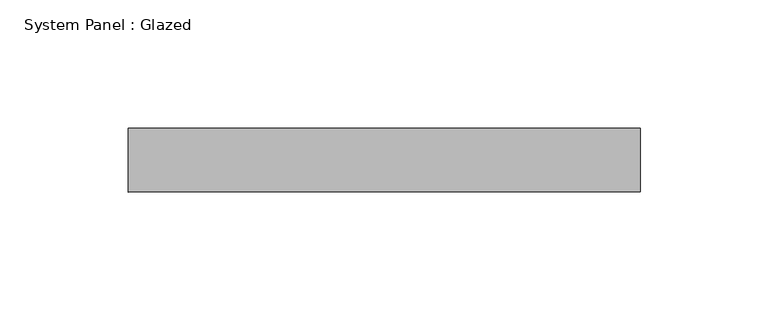
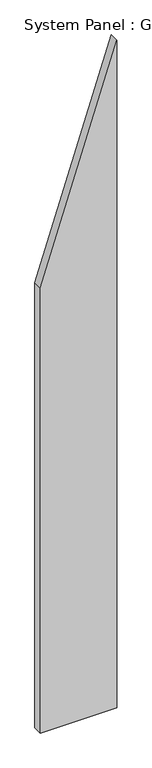
"""IFC4 building model written with IfcOpenShell, lengths in millimetres: plate geometry, System Panel : Glazed."""

import ifcopenshell
import ifcopenshell.guid

model = None  # the IFC model being written
_history = None  # IfcOwnerHistory: only IFC2X3 demands one
_inside = {}  # id of a spatial element -> (the spatial element, [elements in it])
_under = {}  # id of a project, library or spatial element -> (it, [spatial elements below it])
_declared = {}  # id of a project -> (the project, [libraries it declares])
_typed = {}  # id of a type object -> (the type object, [elements of that type])
_made_of = {}  # id of a material, layer set ... -> (it, [elements and type objects made of it])


def new_model(schema):
    """Start an empty IFC model of exactly this schema.

    Asked for "IFC4X3", IfcOpenShell would pick the latest addendum, in which some entities
    have other attributes; the version numbers below select the first issue.
    IFC2X3 requires an IfcOwnerHistory on every rooted entity: one is made here for all.
    """
    global model, _history
    if schema == "IFC4X3":
        model = ifcopenshell.file(schema_version=(4, 3, 0, 0))
    else:
        model = ifcopenshell.file(schema=schema)
    _inside.clear()
    _under.clear()
    _declared.clear()
    _typed.clear()
    _made_of.clear()
    _history = None
    if model.schema == "IFC2X3":
        org = make("IfcOrganization", Name="unknown")
        user = make(
            "IfcPersonAndOrganization",
            ThePerson=make("IfcPerson", FamilyName="unknown"),
            TheOrganization=org,
        )
        app = make(
            "IfcApplication",
            ApplicationDeveloper=org,
            Version="unknown",
            ApplicationFullName="unknown",
            ApplicationIdentifier="unknown",
        )
        _history = make(
            "IfcOwnerHistory",
            OwningUser=user,
            OwningApplication=app,
            ChangeAction="ADDED",
            CreationDate=0,
        )
    return model


def make(cls, **values):
    """One entity of the class cls with the attributes given. An attribute that is None is left unset."""
    return model.create_entity(
        cls, **{name: value for name, value in values.items() if value is not None}
    )


def rooted(cls, **values):
    """An entity with a GlobalId (a new one), such as an element, a storey or a relation."""
    return make(cls, GlobalId=ifcopenshell.guid.new(), OwnerHistory=_history, **values)


def si_unit(unit_type, name, prefix=None):
    """IfcSIUnit, for example si_unit("LENGTHUNIT", "METRE", prefix="MILLI")."""
    return make("IfcSIUnit", UnitType=unit_type, Prefix=prefix, Name=name)


def assignment(units):
    """IfcUnitAssignment: the units of a project."""
    return None if units is None else make("IfcUnitAssignment", Units=units)


def point(xyz):
    """IfcCartesianPoint."""
    return None if xyz is None else make("IfcCartesianPoint", Coordinates=xyz)


def direction(xyz):
    """IfcDirection."""
    return None if xyz is None else make("IfcDirection", DirectionRatios=xyz)


def frame(location, z_axis=None, x_axis=None):
    """IfcAxis2Placement3D, a coordinate frame: its origin and axes. An axis left out is left unset."""
    return make(
        "IfcAxis2Placement3D",
        Location=point(location),
        Axis=direction(z_axis),
        RefDirection=direction(x_axis),
    )


def origin():
    """The frame at (0, 0, 0) with its axes left unset."""
    return frame((0.0, 0.0, 0.0))


def place(relative_to, where):
    """IfcLocalPlacement: puts the frame where relative to a parent placement (None: the world)."""
    return make(
        "IfcLocalPlacement", PlacementRelTo=relative_to, RelativePlacement=where
    )


def context(
    kind, dimensions, precision=None, world=None, true_north=None, identifier=None
):
    """IfcGeometricRepresentationContext, for example the 3D "Model" context."""
    return make(
        "IfcGeometricRepresentationContext",
        ContextIdentifier=identifier,
        ContextType=kind,
        CoordinateSpaceDimension=dimensions,
        Precision=precision,
        WorldCoordinateSystem=world,
        TrueNorth=true_north,
    )


def project(units=None, contexts=None):
    """IfcProject with its units and contexts."""
    return rooted(
        "IfcProject",
        Name="project",
        RepresentationContexts=contexts,
        UnitsInContext=assignment(units),
    )


def spatial(cls, under=None, at=None, **own):
    """A site, building, storey or space (cls), placed at a placement, below another one or the project."""
    s = rooted(cls, ObjectPlacement=at, **own)
    if under is not None:
        _under.setdefault(under.id(), (under, []))[1].append(s)
    return s


def polyline(points):
    """IfcPolyline through the points."""
    return make("IfcPolyline", Points=[point(p) for p in points])


def outline(outer, holes=None, kind="AREA"):
    """IfcArbitraryClosedProfileDef: a profile drawn as a closed curve; with holes, ...WithVoids."""
    if holes is None:
        return make("IfcArbitraryClosedProfileDef", ProfileType=kind, OuterCurve=outer)
    return make(
        "IfcArbitraryProfileDefWithVoids",
        ProfileType=kind,
        OuterCurve=outer,
        InnerCurves=holes,
    )


def extrude(swept, where, along, depth):
    """IfcExtrudedAreaSolid: the profile swept, set in the frame where, extruded along a direction by depth."""
    return make(
        "IfcExtrudedAreaSolid",
        SweptArea=swept,
        Position=where,
        ExtrudedDirection=direction(along),
        Depth=depth,
    )


def shape(context_of_items, identifier, shape_type, items):
    """IfcShapeRepresentation: the items that make up one representation, for example the "Body"."""
    return make(
        "IfcShapeRepresentation",
        ContextOfItems=context_of_items,
        RepresentationIdentifier=identifier,
        RepresentationType=shape_type,
        Items=items,
    )


def source(mapping_origin, context_of_items, identifier, shape_type, items):
    """IfcRepresentationMap: a shape defined once, which mapped items show again and again."""
    return make(
        "IfcRepresentationMap",
        MappingOrigin=mapping_origin,
        MappedRepresentation=shape(context_of_items, identifier, shape_type, items),
    )


def transform(
    local_origin,
    x_axis=None,
    y_axis=None,
    z_axis=None,
    scale=None,
    scale2=None,
    scale3=None,
    uniform=True,
):
    """IfcCartesianTransformationOperator3D, or its non-uniform kind. x_axis, y_axis, z_axis: its Axis1, 2, 3."""
    if uniform:
        return make(
            "IfcCartesianTransformationOperator3D",
            Axis1=direction(x_axis),
            Axis2=direction(y_axis),
            LocalOrigin=point(local_origin),
            Scale=scale,
            Axis3=direction(z_axis),
        )
    return make(
        "IfcCartesianTransformationOperator3DnonUniform",
        Axis1=direction(x_axis),
        Axis2=direction(y_axis),
        LocalOrigin=point(local_origin),
        Scale=scale,
        Axis3=direction(z_axis),
        Scale2=scale2,
        Scale3=scale3,
    )


def mapped(mapping_source, mapping_target):
    """IfcMappedItem: shows the shape of a source again, moved by a transform."""
    return make(
        "IfcMappedItem", MappingSource=mapping_source, MappingTarget=mapping_target
    )


def made_of(thing, what):
    """Note that an element or type object is made of a material, layer set ...; save() writes the relation."""
    if what is not None:
        _made_of.setdefault(what.id(), (what, []))[1].append(thing)
    return thing


def element(
    cls,
    number,
    at=None,
    inside=None,
    cuts=None,
    type_object=None,
    material=None,
    context=None,
    identifier="Body",
    shape_type=None,
    held_by="IfcProductDefinitionShape",
    body=None,
    shapes=None,
    **own,
):
    """One element of the class cls, such as IfcWall. Its Tag is "e" and its number.

    at: its placement. inside: the storey or other place that contains it. cuts: it is an
    opening in that element (IfcRelVoidsElement). A single representation is given by context,
    identifier, shape_type and body (its items); several are given by shapes. held_by: the class
    of the entity that holds the representations. save() writes the other relations.
    """
    e = rooted(cls, Tag="e%d" % number, ObjectPlacement=at, **own)
    if body is not None:
        shapes = [shape(context, identifier, shape_type, body)]
    if shapes is not None:
        e.Representation = make(held_by, Representations=shapes)
    if inside is not None:
        _inside.setdefault(inside.id(), (inside, []))[1].append(e)
    if cuts is not None:
        rooted(
            "IfcRelVoidsElement", RelatingBuildingElement=cuts, RelatedOpeningElement=e
        )
    if type_object is not None:
        _typed.setdefault(type_object.id(), (type_object, []))[1].append(e)
    return made_of(e, material)


def aggregate(whole, parts):
    """IfcRelAggregates: a whole, such as a stair, and the parts it consists of."""
    return rooted("IfcRelAggregates", RelatingObject=whole, RelatedObjects=parts)


def save(model, path):
    """Write the relations noted so far, then the file.

    IfcRelAggregates (storeys below a building ...), IfcRelContainedInSpatialStructure (elements
    in a storey), IfcRelDefinesByType, IfcRelAssociatesMaterial and IfcRelDeclares: one each for
    every whole, place, type object, material and project.
    """
    for whole, parts in _under.values():
        aggregate(whole, parts)
    for where, things in _inside.values():
        rooted(
            "IfcRelContainedInSpatialStructure",
            RelatedElements=things,
            RelatingStructure=where,
        )
    for kind, things in _typed.values():
        rooted("IfcRelDefinesByType", RelatedObjects=things, RelatingType=kind)
    for what, things in _made_of.values():
        rooted("IfcRelAssociatesMaterial", RelatedObjects=things, RelatingMaterial=what)
    for by, libraries in _declared.values():
        rooted("IfcRelDeclares", RelatingContext=by, RelatedDefinitions=libraries)
    model.write(path)


def system_panel_glazed_17f88d14(model_context):
    return source(origin(), model_context, "Body", "SweptSolid", [
        extrude(outline(polyline([(0.0, -100.0), (0.0, 100.0), (1846.1538471, 100.0), (1230.7692317, -100.0), (0.0, -100.0)])), frame((0.0, 24.5, 0.0), z_axis=(0.0, 1.0, 0.0), x_axis=(0.0, 0.0, 1.0)), (0.0, 0.0, 1.0), 25.0),
    ])


if __name__ == "__main__":
    model = new_model("IFC4")
    model_context = context("Model", 3, world=origin())
    ifc_project = project(units=[si_unit("LENGTHUNIT", "METRE", prefix="MILLI")], contexts=[model_context])
    site = spatial("IfcSite", under=ifc_project)
    building = spatial("IfcBuilding", under=site)
    placement = place(None, origin())
    system_panel_glazed_shape = system_panel_glazed_17f88d14(model_context)
    element("IfcPlate", 1, ObjectType="System Panel : Glazed", at=placement, inside=building, context=model_context, shape_type="MappedRepresentation", body=[
        mapped(system_panel_glazed_shape, transform((0.0, 0.0, 0.0), x_axis=(1.0, 0.0, 0.0), y_axis=(0.0, 1.0, 0.0), z_axis=(0.0, 0.0, 1.0))),
    ])
    save(model, "model.ifc")
